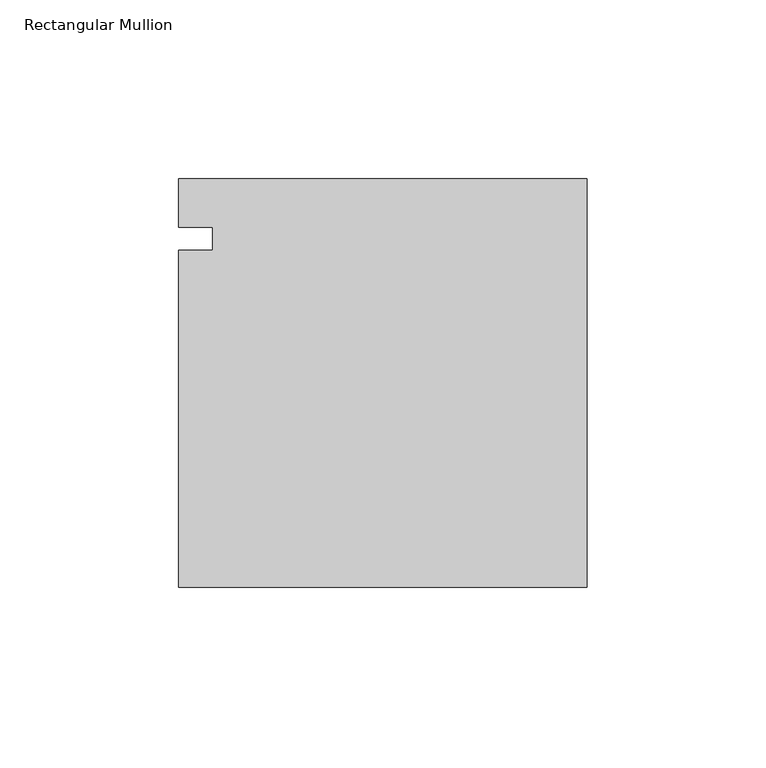
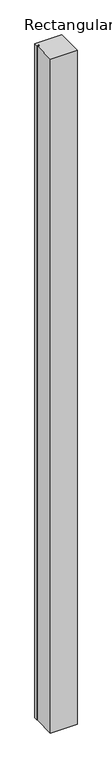
"""IFC4 building model written with IfcOpenShell, lengths in millimetres: member geometry, Rectangular Mullion."""

from ifc_helpers import new_model, si_unit, frame, origin, place, context, project, spatial, polyline, outline, extrude, source, transform, mapped, element, save


def rectangular_mullion_159f85f8(model_context):
    return source(origin(), model_context, "Body", "SweptSolid", [
        extrude(outline(polyline([(0.0, -57.0054505), (-114.3, -57.0054505), (-114.3, 37.2355003), (-104.775, 37.2355003), (-104.775, 43.6757387), (-114.3, 43.6757387), (-114.3, 57.2945495), (0.0, 57.2945495), (0.0, -57.0054505)])), frame((0.0, 0.0, -3048.0), z_axis=(0.0, 0.0, 1.0), x_axis=(1.0, 0.0, 0.0)), (0.0, 0.0, 1.0), 3048.0),
    ])


if __name__ == "__main__":
    model = new_model("IFC4")
    model_context = context("Model", 3, world=origin())
    ifc_project = project(units=[si_unit("LENGTHUNIT", "METRE", prefix="MILLI")], contexts=[model_context])
    site = spatial("IfcSite", under=ifc_project)
    building = spatial("IfcBuilding", under=site)
    placement = place(None, origin())
    rectangular_mullion_shape = rectangular_mullion_159f85f8(model_context)
    element("IfcMember", 1, ObjectType="Rectangular Mullion", at=placement, inside=building, context=model_context, shape_type="MappedRepresentation", body=[
        mapped(rectangular_mullion_shape, transform((0.0, 0.0, 0.0), x_axis=(1.0, 0.0, 0.0), y_axis=(0.0, 1.0, 0.0), z_axis=(0.0, 0.0, 1.0))),
    ])
    save(model, "model.ifc")
